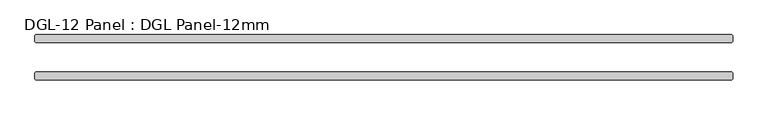
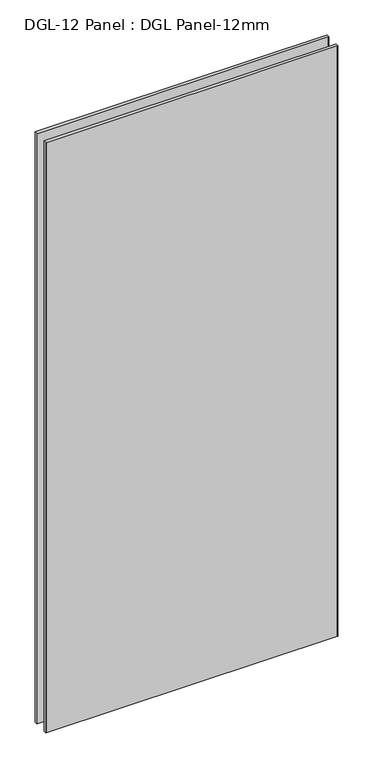
"""IFC4 building model written with IfcOpenShell, lengths in millimetres: plate geometry, DGL-12 Panel : DGL Panel-12mm."""

from ifc_helpers import new_model, si_unit, origin, origin_with_axes, place, context, project, spatial, polyline, outline, extrude, source, transform, mapped, element, save


def dgl_12_panel_dgl_panel_12mm_e216c21b(model_context):
    return source(origin(), model_context, "Body", "SweptSolid", [
        extrude(outline(polyline([(546.3874372, -22.9195313), (547.9749372, -24.5070313), (547.9749372, -34.0320313), (546.3874372, -35.6195313), (-546.3874372, -35.6195313), (-547.9749372, -34.0320313), (-547.9749372, -24.5070313), (-546.3874372, -22.9195313), (546.3874372, -22.9195313)])), origin_with_axes(), (0.0, 0.0, 1.0), 2339.4622278),
        extrude(outline(polyline([(546.3874372, 35.6195312), (547.9749372, 34.0320312), (547.9749372, 24.5070312), (546.3874372, 22.9195312), (-546.3874372, 22.9195312), (-547.9749372, 24.5070312), (-547.9749372, 34.0320312), (-546.3874372, 35.6195312), (546.3874372, 35.6195312)])), origin_with_axes(), (0.0, 0.0, 1.0), 2339.4622278),
    ])


if __name__ == "__main__":
    model = new_model("IFC4")
    model_context = context("Model", 3, world=origin())
    ifc_project = project(units=[si_unit("LENGTHUNIT", "METRE", prefix="MILLI")], contexts=[model_context])
    site = spatial("IfcSite", under=ifc_project)
    building = spatial("IfcBuilding", under=site)
    placement = place(None, origin())
    dgl_12_panel_dgl_panel_12mm_shape = dgl_12_panel_dgl_panel_12mm_e216c21b(model_context)
    element("IfcPlate", 1, ObjectType="DGL-12 Panel : DGL Panel-12mm", at=placement, inside=building, context=model_context, shape_type="MappedRepresentation", body=[
        mapped(dgl_12_panel_dgl_panel_12mm_shape, transform((0.0, 0.0, 0.0), x_axis=(1.0, 0.0, 0.0), y_axis=(0.0, 1.0, 0.0), z_axis=(0.0, 0.0, 1.0))),
    ])
    save(model, "model.ifc")
